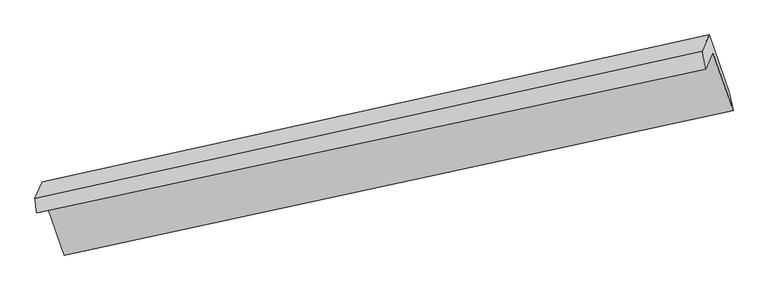
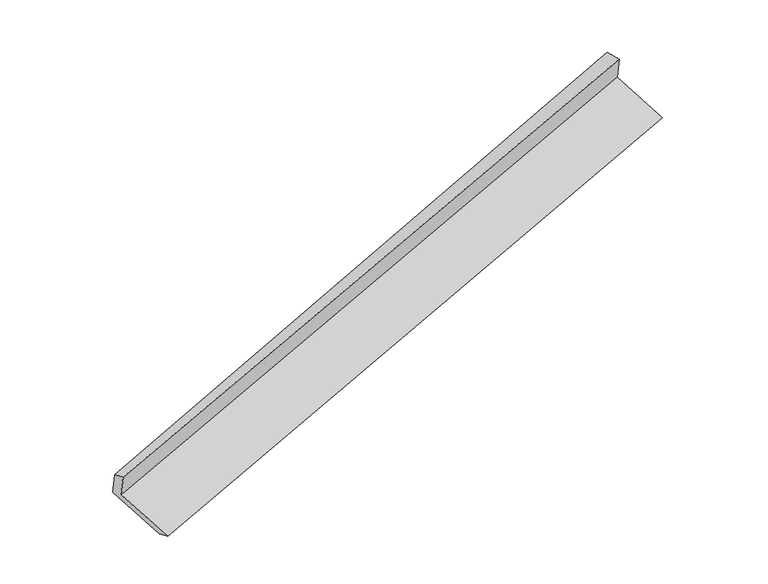
"""IFC4 building model written with IfcOpenShell, lengths in millimetres: proxy geometry."""

import ifcopenshell
import ifcopenshell.guid

model = None  # the IFC model being written
_history = None  # IfcOwnerHistory: only IFC2X3 demands one
_inside = {}  # id of a spatial element -> (the spatial element, [elements in it])
_under = {}  # id of a project, library or spatial element -> (it, [spatial elements below it])
_declared = {}  # id of a project -> (the project, [libraries it declares])
_typed = {}  # id of a type object -> (the type object, [elements of that type])
_made_of = {}  # id of a material, layer set ... -> (it, [elements and type objects made of it])


def new_model(schema):
    """Start an empty IFC model of exactly this schema.

    Asked for "IFC4X3", IfcOpenShell would pick the latest addendum, in which some entities
    have other attributes; the version numbers below select the first issue.
    IFC2X3 requires an IfcOwnerHistory on every rooted entity: one is made here for all.
    """
    global model, _history
    if schema == "IFC4X3":
        model = ifcopenshell.file(schema_version=(4, 3, 0, 0))
    else:
        model = ifcopenshell.file(schema=schema)
    _inside.clear()
    _under.clear()
    _declared.clear()
    _typed.clear()
    _made_of.clear()
    _history = None
    if model.schema == "IFC2X3":
        org = make("IfcOrganization", Name="unknown")
        user = make(
            "IfcPersonAndOrganization",
            ThePerson=make("IfcPerson", FamilyName="unknown"),
            TheOrganization=org,
        )
        app = make(
            "IfcApplication",
            ApplicationDeveloper=org,
            Version="unknown",
            ApplicationFullName="unknown",
            ApplicationIdentifier="unknown",
        )
        _history = make(
            "IfcOwnerHistory",
            OwningUser=user,
            OwningApplication=app,
            ChangeAction="ADDED",
            CreationDate=0,
        )
    return model


def make(cls, **values):
    """One entity of the class cls with the attributes given. An attribute that is None is left unset."""
    return model.create_entity(
        cls, **{name: value for name, value in values.items() if value is not None}
    )


def rooted(cls, **values):
    """An entity with a GlobalId (a new one), such as an element, a storey or a relation."""
    return make(cls, GlobalId=ifcopenshell.guid.new(), OwnerHistory=_history, **values)


def si_unit(unit_type, name, prefix=None):
    """IfcSIUnit, for example si_unit("LENGTHUNIT", "METRE", prefix="MILLI")."""
    return make("IfcSIUnit", UnitType=unit_type, Prefix=prefix, Name=name)


def assignment(units):
    """IfcUnitAssignment: the units of a project."""
    return None if units is None else make("IfcUnitAssignment", Units=units)


def point(xyz):
    """IfcCartesianPoint."""
    return None if xyz is None else make("IfcCartesianPoint", Coordinates=xyz)


def direction(xyz):
    """IfcDirection."""
    return None if xyz is None else make("IfcDirection", DirectionRatios=xyz)


def frame(location, z_axis=None, x_axis=None):
    """IfcAxis2Placement3D, a coordinate frame: its origin and axes. An axis left out is left unset."""
    return make(
        "IfcAxis2Placement3D",
        Location=point(location),
        Axis=direction(z_axis),
        RefDirection=direction(x_axis),
    )


def origin():
    """The frame at (0, 0, 0) with its axes left unset."""
    return frame((0.0, 0.0, 0.0))


def place(relative_to, where):
    """IfcLocalPlacement: puts the frame where relative to a parent placement (None: the world)."""
    return make(
        "IfcLocalPlacement", PlacementRelTo=relative_to, RelativePlacement=where
    )


def context(
    kind, dimensions, precision=None, world=None, true_north=None, identifier=None
):
    """IfcGeometricRepresentationContext, for example the 3D "Model" context."""
    return make(
        "IfcGeometricRepresentationContext",
        ContextIdentifier=identifier,
        ContextType=kind,
        CoordinateSpaceDimension=dimensions,
        Precision=precision,
        WorldCoordinateSystem=world,
        TrueNorth=true_north,
    )


def project(units=None, contexts=None):
    """IfcProject with its units and contexts."""
    return rooted(
        "IfcProject",
        Name="project",
        RepresentationContexts=contexts,
        UnitsInContext=assignment(units),
    )


def spatial(cls, under=None, at=None, **own):
    """A site, building, storey or space (cls), placed at a placement, below another one or the project."""
    s = rooted(cls, ObjectPlacement=at, **own)
    if under is not None:
        _under.setdefault(under.id(), (under, []))[1].append(s)
    return s


def shape(context_of_items, identifier, shape_type, items):
    """IfcShapeRepresentation: the items that make up one representation, for example the "Body"."""
    return make(
        "IfcShapeRepresentation",
        ContextOfItems=context_of_items,
        RepresentationIdentifier=identifier,
        RepresentationType=shape_type,
        Items=items,
    )


def source(mapping_origin, context_of_items, identifier, shape_type, items):
    """IfcRepresentationMap: a shape defined once, which mapped items show again and again."""
    return make(
        "IfcRepresentationMap",
        MappingOrigin=mapping_origin,
        MappedRepresentation=shape(context_of_items, identifier, shape_type, items),
    )


def transform(
    local_origin,
    x_axis=None,
    y_axis=None,
    z_axis=None,
    scale=None,
    scale2=None,
    scale3=None,
    uniform=True,
):
    """IfcCartesianTransformationOperator3D, or its non-uniform kind. x_axis, y_axis, z_axis: its Axis1, 2, 3."""
    if uniform:
        return make(
            "IfcCartesianTransformationOperator3D",
            Axis1=direction(x_axis),
            Axis2=direction(y_axis),
            LocalOrigin=point(local_origin),
            Scale=scale,
            Axis3=direction(z_axis),
        )
    return make(
        "IfcCartesianTransformationOperator3DnonUniform",
        Axis1=direction(x_axis),
        Axis2=direction(y_axis),
        LocalOrigin=point(local_origin),
        Scale=scale,
        Axis3=direction(z_axis),
        Scale2=scale2,
        Scale3=scale3,
    )


def mapped(mapping_source, mapping_target):
    """IfcMappedItem: shows the shape of a source again, moved by a transform."""
    return make(
        "IfcMappedItem", MappingSource=mapping_source, MappingTarget=mapping_target
    )


def made_of(thing, what):
    """Note that an element or type object is made of a material, layer set ...; save() writes the relation."""
    if what is not None:
        _made_of.setdefault(what.id(), (what, []))[1].append(thing)
    return thing


def element(
    cls,
    number,
    at=None,
    inside=None,
    cuts=None,
    type_object=None,
    material=None,
    context=None,
    identifier="Body",
    shape_type=None,
    held_by="IfcProductDefinitionShape",
    body=None,
    shapes=None,
    **own,
):
    """One element of the class cls, such as IfcWall. Its Tag is "e" and its number.

    at: its placement. inside: the storey or other place that contains it. cuts: it is an
    opening in that element (IfcRelVoidsElement). A single representation is given by context,
    identifier, shape_type and body (its items); several are given by shapes. held_by: the class
    of the entity that holds the representations. save() writes the other relations.
    """
    e = rooted(cls, Tag="e%d" % number, ObjectPlacement=at, **own)
    if body is not None:
        shapes = [shape(context, identifier, shape_type, body)]
    if shapes is not None:
        e.Representation = make(held_by, Representations=shapes)
    if inside is not None:
        _inside.setdefault(inside.id(), (inside, []))[1].append(e)
    if cuts is not None:
        rooted(
            "IfcRelVoidsElement", RelatingBuildingElement=cuts, RelatedOpeningElement=e
        )
    if type_object is not None:
        _typed.setdefault(type_object.id(), (type_object, []))[1].append(e)
    return made_of(e, material)


def aggregate(whole, parts):
    """IfcRelAggregates: a whole, such as a stair, and the parts it consists of."""
    return rooted("IfcRelAggregates", RelatingObject=whole, RelatedObjects=parts)


def save(model, path):
    """Write the relations noted so far, then the file.

    IfcRelAggregates (storeys below a building ...), IfcRelContainedInSpatialStructure (elements
    in a storey), IfcRelDefinesByType, IfcRelAssociatesMaterial and IfcRelDeclares: one each for
    every whole, place, type object, material and project.
    """
    for whole, parts in _under.values():
        aggregate(whole, parts)
    for where, things in _inside.values():
        rooted(
            "IfcRelContainedInSpatialStructure",
            RelatedElements=things,
            RelatingStructure=where,
        )
    for kind, things in _typed.values():
        rooted("IfcRelDefinesByType", RelatedObjects=things, RelatingType=kind)
    for what, things in _made_of.values():
        rooted("IfcRelAssociatesMaterial", RelatedObjects=things, RelatingMaterial=what)
    for by, libraries in _declared.values():
        rooted("IfcRelDeclares", RelatingContext=by, RelatedDefinitions=libraries)
    model.write(path)


def plane_surface(at):
    """IfcPlane: the flat surface through the origin of the frame at, square to its z axis."""
    return make("IfcPlane", Position=at)


def spline_surface(u_degree, v_degree, points, u_multiplicities, v_multiplicities, u_knots, v_knots, weights=None):
    """IfcBSplineSurfaceWithKnots; with weights, IfcRationalBSplineSurfaceWithKnots. points: one row for each step in u."""
    own = dict(
        UDegree=u_degree,
        VDegree=v_degree,
        ControlPointsList=[[point(p) for p in row] for row in points],
        SurfaceForm="UNSPECIFIED",
        UClosed=False,
        VClosed=False,
        SelfIntersect=False,
        UMultiplicities=u_multiplicities,
        VMultiplicities=v_multiplicities,
        UKnots=u_knots,
        VKnots=v_knots,
        KnotSpec="UNSPECIFIED",
    )
    if weights is None:
        return make("IfcBSplineSurfaceWithKnots", **own)
    return make("IfcRationalBSplineSurfaceWithKnots", WeightsData=weights, **own)


def advanced_brep(points, edges, surfaces, faces):
    """IfcAdvancedBrep: a solid bounded by faces that lie on surfaces and meet in shared edges.

    An edge is (start, end): straight between two places in points (the first is 0);
    or (start, end, curve); or (start, end, curve, False) where it runs against its curve.
    A face is (place in surfaces, loops), or (place, loops, False) where it looks against
    its surface's normal. A loop lists edges by number (the first is 1), with a minus sign
    where the edge is run from its end to its start. The first loop is the outer one.
    """
    corners = [point(p) for p in points]
    vertices = [make("IfcVertexPoint", VertexGeometry=c) for c in corners]
    made = []
    for start, end, *more in edges:
        made.append(
            make(
                "IfcEdgeCurve",
                EdgeStart=vertices[start],
                EdgeEnd=vertices[end],
                EdgeGeometry=more[0] if more else make("IfcPolyline", Points=[corners[start], corners[end]]),
                SameSense=more[1] if len(more) > 1 else True,
            )
        )
    hull = []
    for where, loops, *sense in faces:
        bounds = []
        for j, loop in enumerate(loops):
            ring = [make("IfcOrientedEdge", EdgeElement=made[abs(k) - 1], Orientation=k > 0) for k in loop]
            bounds.append(
                make(
                    "IfcFaceOuterBound" if j == 0 else "IfcFaceBound",
                    Bound=make("IfcEdgeLoop", EdgeList=ring),
                    Orientation=True,
                )
            )
        hull.append(make("IfcAdvancedFace", Bounds=bounds, FaceSurface=surfaces[where], SameSense=sense[0] if sense else True))
    return make("IfcAdvancedBrep", Outer=make("IfcClosedShell", CfsFaces=hull))


def generic_models_4b54e282(model_context):
    return source(origin(), model_context, "Body", "AdvancedBrep", [
        advanced_brep(
        [(-6224.6408892, -2054.8212893, 904.0131238), (-6019.3355339, -2640.8326871, 670.1051873), (642.6023728, -1197.1200648, 2675.7155496), (441.5282211, -623.1859627, 2904.8028027), (-6295.5532726, -2217.274755, 1248.7679521), (370.6158377, -785.6394285, 3249.5576311), (-6312.2619862, -2073.0428391, 1197.9618684), (332.9645486, -605.1603773, 3239.6349011), (-6241.5362857, -1911.0170461, 854.1146368), (403.690249, -443.1345843, 2895.7876695), (-6036.2184111, -2497.0641786, 620.1924368), (605.9139873, -1020.3499976, 2665.3906726)],
        [
            (0, 1),
            (1, 2),
            (2, 3),
            (3, 0),
            (4, 0),
            (3, 5),
            (5, 4),
            (6, 4),
            (5, 7),
            (7, 6),
            (8, 6),
            (7, 9),
            (9, 8),
            (10, 8),
            (9, 11),
            (11, 10),
            (1, 10),
            (11, 2),
        ],
        [
            plane_surface(frame((-6121.9882115, -2347.8269882, 787.0591555), z_axis=(-0.17767059083407777, -0.4178754901861135, 0.8909619721707461), x_axis=(0.3094136460626737, -0.883171912358464, -0.35252030984227856))),
            plane_surface(frame((-6260.0970809, -2136.0480221, 1076.3905379), z_axis=(0.29718611360796837, -0.8858511385906418, -0.35629787276414576), x_axis=(0.18292702318508716, 0.4190682566392575, -0.8893365507309232))),
            spline_surface(1, 1, [[(-6312.2619862, -2073.0428391, 1197.9618684), (332.9645486, -605.1603773, 3239.6349011)], [(-6295.5532726, -2217.274755, 1248.7679521), (370.6158377, -785.6394285, 3249.5576311)]], [2, 2], [2, 2], [0.0, 1.0], [0.0, 1.0]),
            plane_surface(frame((-6276.899136, -1992.0299426, 1026.0382526), z_axis=(-0.30415520922960615, 0.88434404171176, 0.35415423841513427), x_axis=(-0.182927023185087, -0.4190682566392572, 0.8893365507309234))),
            plane_surface(frame((-6138.8773484, -2204.0406123, 737.1535368), z_axis=(0.18095651364779186, 0.418622519658695, -0.8899493953046106), x_axis=(-0.3094136460626777, 0.883171912358461, 0.3525203098422824))),
            spline_surface(1, 1, [[(-6019.3355339, -2640.8326871, 670.1051873), (642.6023728, -1197.1200648, 2675.7155496)], [(-6036.2184111, -2497.0641786, 620.1924368), (605.9139873, -1020.3499976, 2665.3906726)]], [2, 2], [2, 2], [0.0, 1.0], [0.0, 1.0]),
            plane_surface(frame((466.2192028, -779.0984025, 2938.4815378), z_axis=(0.9331671339148357, 0.21068737384674896, 0.291221446124305), x_axis=(-0.182927023185087, -0.4190682566392572, 0.8893365507309234))),
            plane_surface(frame((-6188.2577298, -2232.3421325, 915.8592009), z_axis=(-0.9331671339148443, -0.2106873738467257, -0.2912214461242944), x_axis=(-0.30941364606267474, 0.8831719123584633, 0.3525203098422797))),
        ],
        [
            (0, [[1, 2, 3, 4]]),
            (1, [[5, -4, 6, 7]]),
            (2, [[8, -7, 9, 10]]),
            (3, [[11, -10, 12, 13]]),
            (4, [[14, -13, 15, 16]]),
            (5, [[17, -16, 18, -2]]),
            (6, [[-12, -9, -6, -3, -18, -15]]),
            (7, [[-1, -5, -8, -11, -14, -17]]),
        ],
    ),
    ])


if __name__ == "__main__":
    model = new_model("IFC4")
    model_context = context("Model", 3, world=origin())
    ifc_project = project(units=[si_unit("LENGTHUNIT", "METRE", prefix="MILLI")], contexts=[model_context])
    site = spatial("IfcSite", under=ifc_project)
    building = spatial("IfcBuilding", under=site)
    placement = place(None, origin())
    generic_models_shape = generic_models_4b54e282(model_context)
    element("IfcBuildingElementProxy", 1, Name="Generic Models", at=placement, inside=building, context=model_context, shape_type="MappedRepresentation", body=[
        mapped(generic_models_shape, transform((0.0, 0.0, 0.0), x_axis=(1.0, 0.0, 0.0), y_axis=(0.0, 1.0, 0.0), z_axis=(0.0, 0.0, 1.0))),
    ])
    save(model, "model.ifc")
